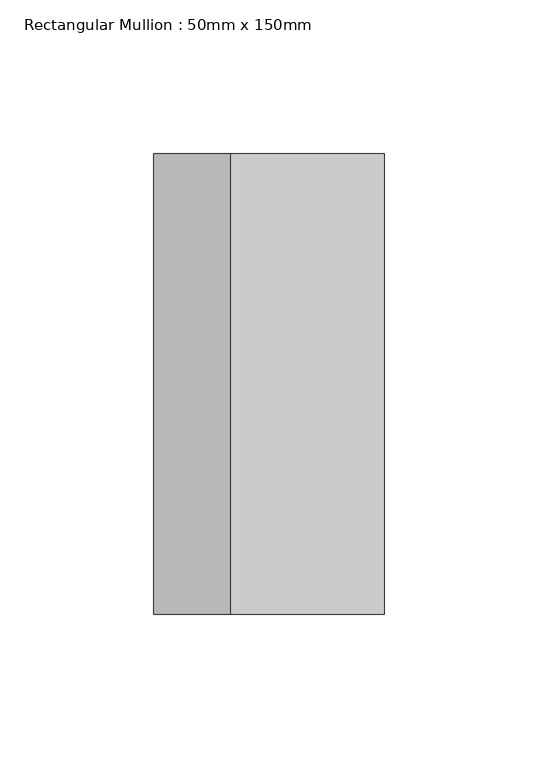
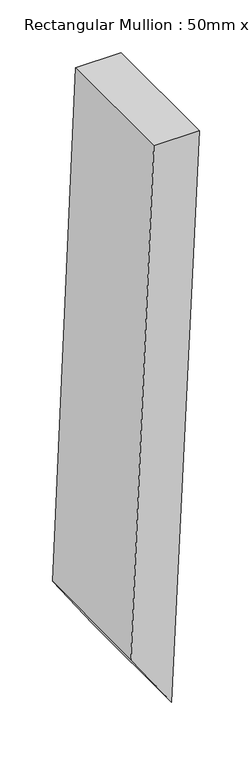
"""IFC4 building model written with IfcOpenShell, lengths in millimetres: member geometry, Rectangular Mullion : 50mm x 150mm."""

from ifc_helpers import new_model, si_unit, point, frame, frame_2d, origin, place, context, project, spatial, polyline, circle_curve, trimmed, segment, composite_curve, outline, extrude, source, transform, mapped, element, save


def rectangular_mullion_50mm_x_150mm_1dbc66b5(model_context):
    return source(origin(), model_context, "Body", "SweptSolid", [
        extrude(outline(composite_curve([segment(trimmed(circle_curve(frame_2d((0.0, -6914.0186607)), 6914.0186607), [point((-652.5991471, -30.8676095))], [point((0.0, 0.0))], False, "CARTESIAN"), True, "CONTINUOUS"), segment(polyline([(0.0, 0.0), (0.0, -50.0)]), True, "CONTINUOUS"), segment(trimmed(circle_curve(frame_2d((0.0, -6914.0186607)), 6864.0186607), [point((0.0, -50.0))], [point((-587.7355399, -75.2088878))], True, "CARTESIAN"), True, "CONTINUOUS"), segment(polyline([(-587.7355399, -75.2088878), (-652.5991471, -30.8676095)]), True, "CONTINUOUS")], self_intersect=False)), frame((0.0, -75.0, 0.0), z_axis=(0.0, 1.0, 0.0), x_axis=(0.0, 0.0, 1.0)), (0.0, 0.0, 1.0), 150.0),
    ])


if __name__ == "__main__":
    model = new_model("IFC4")
    model_context = context("Model", 3, world=origin())
    ifc_project = project(units=[si_unit("LENGTHUNIT", "METRE", prefix="MILLI")], contexts=[model_context])
    site = spatial("IfcSite", under=ifc_project)
    building = spatial("IfcBuilding", under=site)
    placement = place(None, origin())
    rectangular_mullion_50mm_x_150mm_shape = rectangular_mullion_50mm_x_150mm_1dbc66b5(model_context)
    element("IfcMember", 1, ObjectType="Rectangular Mullion : 50mm x 150mm", at=placement, inside=building, context=model_context, shape_type="MappedRepresentation", body=[
        mapped(rectangular_mullion_50mm_x_150mm_shape, transform((0.0, 0.0, 0.0), x_axis=(1.0, 0.0, 0.0), y_axis=(0.0, 1.0, 0.0), z_axis=(0.0, 0.0, 1.0))),
    ])
    save(model, "model.ifc")
